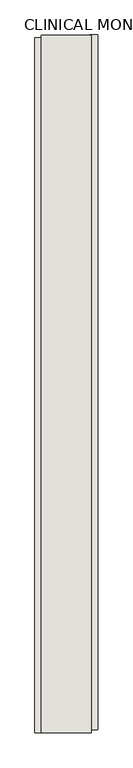
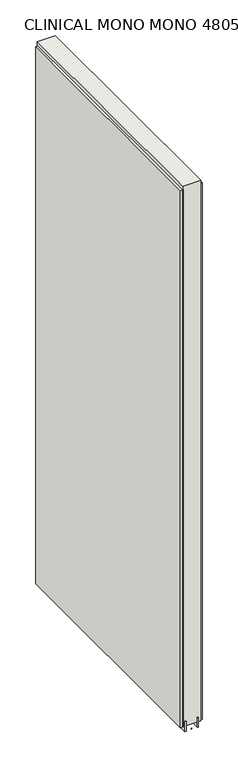
"""IFC4 building model written with IfcOpenShell, lengths in millimetres: wall geometry, CLINICAL MONO MONO 480531 : CLINICAL MONO MONO 480531."""

from ifc_helpers import new_model, si_unit, frame, origin, place, context, project, spatial, polyline, outline, extrude, source, transform, mapped, element, save


def clinical_mono_mono_480531_clinical_mono_mono_480531_1cd7cb68(model_context):
    return source(origin(), model_context, "Body", "SweptSolid", [
        extrude(outline(polyline([(61066.082211, -54005.405578), (61066.082211, -54007.945578), (61063.542211, -54007.945578), (61063.542211, -54005.405578), (61066.082211, -54005.405578)])), frame((0.0, 0.0, 4419.6), z_axis=(0.0, 0.0, 1.0), x_axis=(1.0, 0.0, 0.0)), (0.0, 0.0, 1.0), 2.54),
        extrude(outline(polyline([(61014.012211, -54008.4130396), (61014.012211, -52883.2453636), (61026.712211, -52883.2453636), (61026.712211, -54008.4130396), (61014.012211, -54008.4130396)])), frame((0.0, 0.0, 4445.0), z_axis=(0.0, 0.0, 1.0), x_axis=(1.0, 0.0, 0.0)), (0.0, 0.0, 1.0), 2545.0498756),
        extrude(outline(polyline([(61115.612211, -52878.3154268), (61115.612211, -54003.4831028), (61102.912211, -54003.4831028), (61102.912211, -52878.3154268), (61115.612211, -52878.3154268)])), frame((0.0, 0.0, 4445.0), z_axis=(0.0, 0.0, 1.0), x_axis=(1.0, 0.0, 0.0)), (0.0, 0.0, 1.0), 2545.0498756),
        extrude(outline(polyline([(61039.7284664, -52878.7878414), (61039.7284664, -54007.9468226), (61034.649711, -54007.9468226), (61034.649711, -52878.7878414), (61039.7284664, -52878.7878414)])), frame((0.0, 0.0, 4418.6602), z_axis=(0.0, 0.0, 1.0), x_axis=(1.0, 0.0, 0.0)), (0.0, 0.0, 1.0), 47.625),
        extrude(outline(polyline([(61039.7284664, -52878.7878414), (61039.7284664, -54007.9468226), (61034.649711, -54007.9468226), (61034.649711, -52878.7878414), (61039.7284664, -52878.7878414)])), frame((0.0, 0.0, 4418.6602), z_axis=(0.0, 0.0, 1.0), x_axis=(1.0, 0.0, 0.0)), (0.0, 0.0, 1.0), 47.625),
        extrude(outline(polyline([(61089.8959556, -54007.9468226), (61089.8959556, -52878.7878414), (61094.974711, -52878.7878414), (61094.974711, -54007.9468226), (61089.8959556, -54007.9468226)])), frame((0.0, 0.0, 4418.6602), z_axis=(0.0, 0.0, 1.0), x_axis=(1.0, 0.0, 0.0)), (0.0, 0.0, 1.0), 47.625),
        extrude(outline(polyline([(61089.8959556, -54007.9468226), (61089.8959556, -52878.7878414), (61094.974711, -52878.7878414), (61094.974711, -54007.9468226), (61089.8959556, -54007.9468226)])), frame((0.0, 0.0, 4418.6602), z_axis=(0.0, 0.0, 1.0), x_axis=(1.0, 0.0, 0.0)), (0.0, 0.0, 1.0), 47.625),
        extrude(outline(polyline([(61024.1573266, -52878.7878414), (61105.4670954, -52878.7878414), (61105.4670954, -54007.9468226), (61024.1573266, -54007.9468226), (61024.1573266, -52878.7878414)])), frame((0.0, 0.0, 4445.0), z_axis=(0.0, 0.0, 1.0), x_axis=(1.0, 0.0, 0.0)), (0.0, 0.0, 1.0), 2562.4536762),
    ])


if __name__ == "__main__":
    model = new_model("IFC4")
    model_context = context("Model", 3, world=origin())
    ifc_project = project(units=[si_unit("LENGTHUNIT", "METRE", prefix="MILLI")], contexts=[model_context])
    site = spatial("IfcSite", under=ifc_project)
    building = spatial("IfcBuilding", under=site)
    placement = place(None, origin())
    clinical_mono_mono_480531_clinical_mono_mono_480531_shape = clinical_mono_mono_480531_clinical_mono_mono_480531_1cd7cb68(model_context)
    element("IfcWall", 1, ObjectType="CLINICAL MONO MONO 480531 : CLINICAL MONO MONO 480531", at=placement, inside=building, context=model_context, shape_type="MappedRepresentation", body=[
        mapped(clinical_mono_mono_480531_clinical_mono_mono_480531_shape, transform((0.0, 0.0, 0.0), x_axis=(1.0, 0.0, 0.0), y_axis=(0.0, 1.0, 0.0), z_axis=(0.0, 0.0, 1.0))),
    ])
    save(model, "model.ifc")
